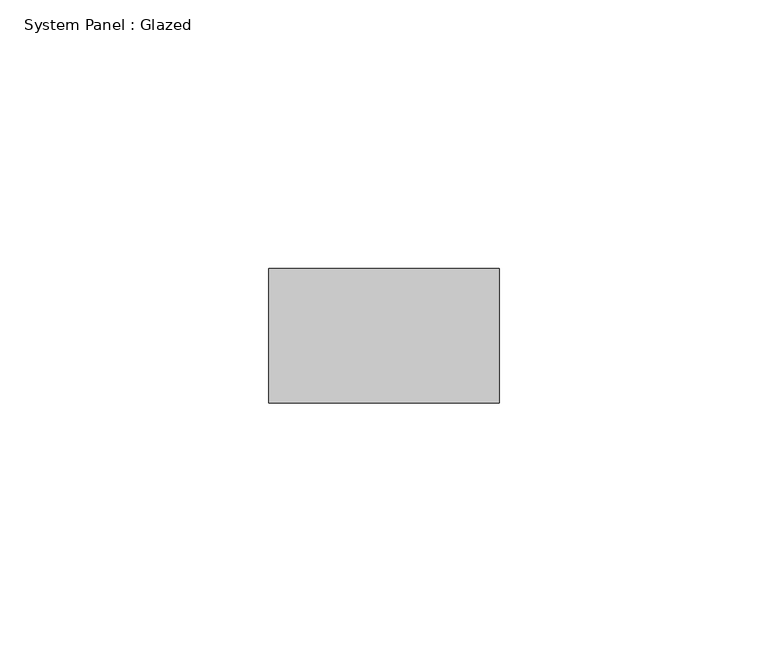
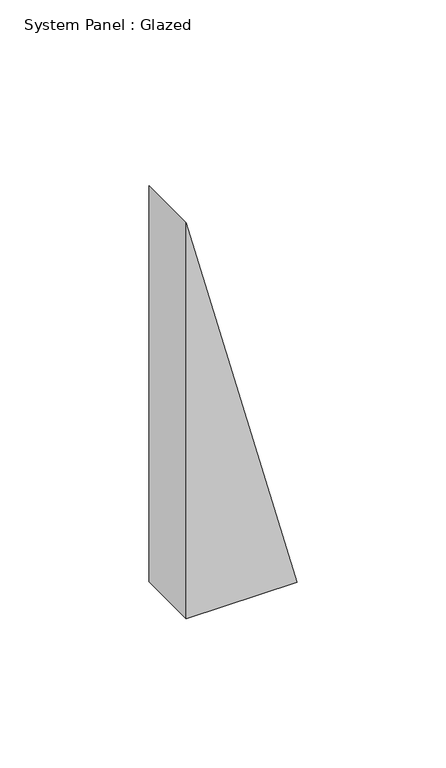
"""IFC4 building model written with IfcOpenShell, lengths in millimetres: plate geometry, System Panel : Glazed."""

from ifc_helpers import new_model, si_unit, frame, origin, place, context, project, spatial, polyline, outline, extrude, source, transform, mapped, element, save


def system_panel_glazed_3c0fefc5(model_context):
    return source(origin(), model_context, "Body", "SweptSolid", [
        extrude(outline(polyline([(0.0, -21.4285713), (0.0, 21.4285713), (162.162161, -21.4285713), (0.0, -21.4285713)])), frame((0.0, 24.5, 0.0), z_axis=(0.0, 1.0, 0.0), x_axis=(0.0, 0.0, 1.0)), (0.0, 0.0, 1.0), 25.0),
    ])


if __name__ == "__main__":
    model = new_model("IFC4")
    model_context = context("Model", 3, world=origin())
    ifc_project = project(units=[si_unit("LENGTHUNIT", "METRE", prefix="MILLI")], contexts=[model_context])
    site = spatial("IfcSite", under=ifc_project)
    building = spatial("IfcBuilding", under=site)
    placement = place(None, origin())
    system_panel_glazed_shape = system_panel_glazed_3c0fefc5(model_context)
    element("IfcPlate", 1, ObjectType="System Panel : Glazed", at=placement, inside=building, context=model_context, shape_type="MappedRepresentation", body=[
        mapped(system_panel_glazed_shape, transform((0.0, 0.0, 0.0), x_axis=(1.0, 0.0, 0.0), y_axis=(0.0, 1.0, 0.0), z_axis=(0.0, 0.0, 1.0))),
    ])
    save(model, "model.ifc")
